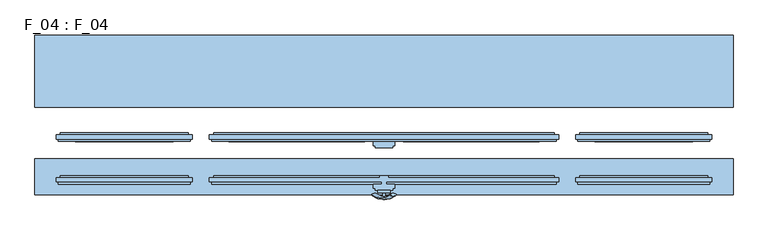
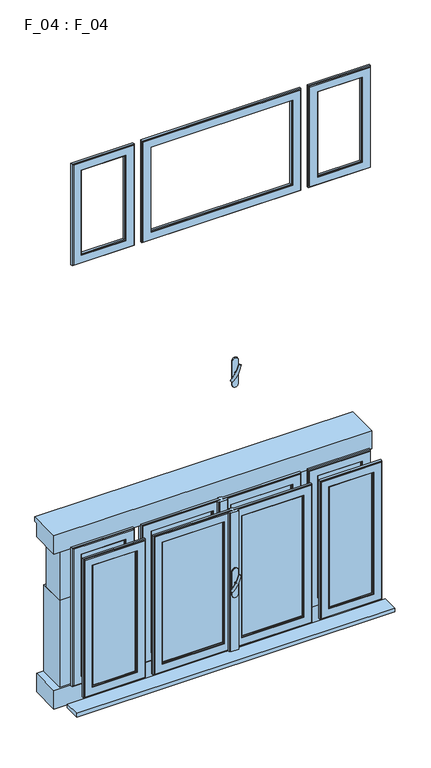
"""IFC4 building model written with IfcOpenShell, lengths in millimetres: window geometry, F_04 : F_04."""

from ifc_helpers import new_model, si_unit, point, frame, frame_2d, origin, place, context, project, spatial, polyline, circle_curve, ellipse_curve, trimmed, segment, composite_curve, outline, extrude, faceted_brep, source, transform, mapped, element, save
from ifc_brep_helpers import plane_surface, revolved_surface, advanced_brep


def f_04_f_04_f7b62432(model_context):
    return source(origin(), model_context, "Body", "SolidModel", [
        extrude(outline(polyline([(-645.0, 130.0), (-785.0, 130.0), (-785.0, 250.0), (-765.0, 270.0), (-665.0, 270.0), (-645.0, 250.0), (-645.0, 130.0)])), frame((0.0, 0.0, 1415.0), z_axis=(0.0, 0.0, 1.0), x_axis=(1.0, 0.0, 0.0)), (0.0, 0.0, 1.0), 270.0),
        extrude(outline(polyline([(-406.6666667, 130.0), (-546.6666667, 130.0), (-546.6666667, 250.0), (-526.6666667, 270.0), (-426.6666667, 270.0), (-406.6666667, 250.0), (-406.6666667, 130.0)])), frame((0.0, 0.0, 1415.0), z_axis=(0.0, 0.0, 1.0), x_axis=(1.0, 0.0, 0.0)), (0.0, 0.0, 1.0), 270.0),
        extrude(outline(polyline([(-168.3333333, 130.0), (-308.3333333, 130.0), (-308.3333333, 250.0), (-288.3333333, 270.0), (-188.3333333, 270.0), (-168.3333333, 250.0), (-168.3333333, 130.0)])), frame((0.0, 0.0, 1415.0), z_axis=(0.0, 0.0, 1.0), x_axis=(1.0, 0.0, 0.0)), (0.0, 0.0, 1.0), 270.0),
        extrude(outline(polyline([(70.0, 130.0), (-70.0, 130.0), (-70.0, 250.0), (-50.0, 270.0), (50.0, 270.0), (70.0, 250.0), (70.0, 130.0)])), frame((0.0, 0.0, 1415.0), z_axis=(0.0, 0.0, 1.0), x_axis=(1.0, 0.0, 0.0)), (0.0, 0.0, 1.0), 270.0),
        extrude(outline(polyline([(308.3333333, 130.0), (168.3333333, 130.0), (168.3333333, 250.0), (188.3333333, 270.0), (288.3333333, 270.0), (308.3333333, 250.0), (308.3333333, 130.0)])), frame((0.0, 0.0, 1415.0), z_axis=(0.0, 0.0, 1.0), x_axis=(1.0, 0.0, 0.0)), (0.0, 0.0, 1.0), 270.0),
        extrude(outline(polyline([(546.6666667, 130.0), (406.6666667, 130.0), (406.6666667, 250.0), (426.6666667, 270.0), (526.6666667, 270.0), (546.6666667, 250.0), (546.6666667, 130.0)])), frame((0.0, 0.0, 1415.0), z_axis=(0.0, 0.0, 1.0), x_axis=(1.0, 0.0, 0.0)), (0.0, 0.0, 1.0), 270.0),
        extrude(outline(polyline([(785.0, 130.0), (645.0, 130.0), (645.0, 250.0), (665.0, 270.0), (765.0, 270.0), (785.0, 250.0), (785.0, 130.0)])), frame((0.0, 0.0, 1415.0), z_axis=(0.0, 0.0, 1.0), x_axis=(1.0, 0.0, 0.0)), (0.0, 0.0, 1.0), 270.0),
        extrude(outline(polyline([(-645.0, 130.0), (-785.0, 130.0), (-785.0, 270.0), (-645.0, 270.0), (-645.0, 130.0)])), frame((0.0, 0.0, 940.0), z_axis=(0.0, 0.0, 1.0), x_axis=(1.0, 0.0, 0.0)), (0.0, 0.0, 1.0), 475.0),
        extrude(outline(polyline([(-406.6666667, 130.0), (-546.6666667, 130.0), (-546.6666667, 270.0), (-406.6666667, 270.0), (-406.6666667, 130.0)])), frame((0.0, 0.0, 940.0), z_axis=(0.0, 0.0, 1.0), x_axis=(1.0, 0.0, 0.0)), (0.0, 0.0, 1.0), 475.0),
        extrude(outline(polyline([(-168.3333333, 130.0), (-308.3333333, 130.0), (-308.3333333, 270.0), (-168.3333333, 270.0), (-168.3333333, 130.0)])), frame((0.0, 0.0, 940.0), z_axis=(0.0, 0.0, 1.0), x_axis=(1.0, 0.0, 0.0)), (0.0, 0.0, 1.0), 475.0),
        extrude(outline(polyline([(70.0, 130.0), (-70.0, 130.0), (-70.0, 270.0), (70.0, 270.0), (70.0, 130.0)])), frame((0.0, 0.0, 940.0), z_axis=(0.0, 0.0, 1.0), x_axis=(1.0, 0.0, 0.0)), (0.0, 0.0, 1.0), 475.0),
        extrude(outline(polyline([(308.3333333, 130.0), (168.3333333, 130.0), (168.3333333, 270.0), (308.3333333, 270.0), (308.3333333, 130.0)])), frame((0.0, 0.0, 940.0), z_axis=(0.0, 0.0, 1.0), x_axis=(1.0, 0.0, 0.0)), (0.0, 0.0, 1.0), 475.0),
        extrude(outline(polyline([(546.6666667, 130.0), (406.6666667, 130.0), (406.6666667, 270.0), (546.6666667, 270.0), (546.6666667, 130.0)])), frame((0.0, 0.0, 940.0), z_axis=(0.0, 0.0, 1.0), x_axis=(1.0, 0.0, 0.0)), (0.0, 0.0, 1.0), 475.0),
        extrude(outline(polyline([(785.0, 130.0), (645.0, 130.0), (645.0, 270.0), (785.0, 270.0), (785.0, 130.0)])), frame((0.0, 0.0, 940.0), z_axis=(0.0, 0.0, 1.0), x_axis=(1.0, 0.0, 0.0)), (0.0, 0.0, 1.0), 475.0),
        extrude(outline(polyline([(120.0, 1785.0), (290.0, 1785.0), (290.0, 1760.0), (275.0, 1760.0), (275.0, 1685.0), (120.0, 1685.0), (120.0, 1785.0)])), frame((-820.0, 0.0, 0.0), z_axis=(1.0, 0.0, 0.0), x_axis=(0.0, 1.0, 0.0)), (0.0, 0.0, 1.0), 1640.0),
        extrude(outline(polyline([(820.0, 120.0), (-820.0, 120.0), (-820.0, 275.0), (820.0, 275.0), (820.0, 120.0)])), frame((0.0, 0.0, 840.0), z_axis=(0.0, 0.0, 1.0), x_axis=(1.0, 0.0, 0.0)), (0.0, 0.0, 1.0), 100.0),
        advanced_brep(
        [(-28.5497704, -85.2287724, 2478.0503474), (-14.693364, -85.2287724, 2470.0503474), (14.693364, -85.2287724, 2552.9496533), (28.5497704, -85.2287724, 2544.9496533)],
        [
            (0, 1, ellipse_curve(frame((-21.6215672, -85.2287724, 2474.0503474), z_axis=(-0.46984631039295827, 0.3420201433256777, -0.8137976813493676), x_axis=(0.8660254037844349, 0.0, -0.5000000000000066)), 8.0, 3.5)),
            (1, 0, ellipse_curve(frame((-21.6215672, -85.2287724, 2474.0503474), z_axis=(-0.46984631039295827, 0.3420201433256777, -0.8137976813493676), x_axis=(0.8660254037844349, 0.0, -0.5000000000000066)), 8.0, 3.5)),
            (2, 3, ellipse_curve(frame((21.6215672, -85.2287724, 2548.9496533), z_axis=(0.46984631039296154, 0.3420201433256599, 0.8137976813493732), x_axis=(0.8660254037844355, 0.0, -0.5000000000000056)), 8.0, 3.5)),
            (3, 2, ellipse_curve(frame((21.6215672, -85.2287724, 2548.9496533), z_axis=(0.46984631039296154, 0.3420201433256599, 0.8137976813493732), x_axis=(0.8660254037844355, 0.0, -0.5000000000000056)), 8.0, 3.5)),
            (3, 1, circle_curve(frame((6.9282032, 33.580763, 2507.5000003), z_axis=(0.8660254037844353, 0.0, -0.500000000000006), x_axis=(-0.1710100716628409, -0.9396926207859051, -0.29619813272603046)), 126.4344667)),
            (0, 2, circle_curve(frame((-6.9282032, 33.580763, 2515.5000003), z_axis=(-0.8660254037844353, 0.0, 0.500000000000006), x_axis=(-0.1710100716628409, -0.9396926207859051, -0.29619813272603046)), 126.4344667)),
        ],
        [
            plane_surface(frame((40.0926994, -82.5471681, 2439.5466146), z_axis=(-0.4698463103929582, 0.34202014332567776, -0.8137976813493677), x_axis=(-0.8660254037844352, 0.0, 0.500000000000006))),
            plane_surface(frame((82.3598097, -82.5471681, 2512.755397), z_axis=(0.4698463103929615, 0.34202014332565983, 0.8137976813493734), x_axis=(-0.8660254037844352, 0.0, 0.500000000000006))),
            revolved_surface(trimmed(ellipse_curve(frame((-21.6215672, -85.2287724, 2474.0503474), z_axis=(-0.46984631039295827, 0.3420201433256777, -0.8137976813493676), x_axis=(0.8660254037844349, 0.0, -0.5000000000000066)), 8.0, 3.5), [point((-28.5497704, -85.2287724, 2478.0503474))], [point((-14.693364, -85.2287724, 2470.0503474))], True, "CARTESIAN"), (61.2262546, 33.580763, 2476.1510058), (-0.8660254037844353, 0.0, 0.500000000000006)),
            revolved_surface(trimmed(ellipse_curve(frame((-21.6215672, -85.2287724, 2474.0503474), z_axis=(-0.46984631039295827, 0.3420201433256777, -0.8137976813493676), x_axis=(0.8660254037844349, 0.0, -0.5000000000000066)), 8.0, 3.5), [point((-14.693364, -85.2287724, 2470.0503474))], [point((-28.5497704, -85.2287724, 2478.0503474))], True, "CARTESIAN"), (61.2262546, 33.580763, 2476.1510058), (-0.8660254037844353, 0.0, 0.500000000000006)),
        ],
        [
            (0, [[1, 2]]),
            (1, [[3, 4]]),
            (2, [[5, -1, 6, -4]]),
            (3, [[-6, -2, -5, -3]]),
        ],
    ),
        extrude(outline(composite_curve([segment(trimmed(circle_curve(frame_2d((2511.5000003, 0.0)), 3.5), [point((2511.5000003, -3.5))], [point((2511.5000003, 3.5))], False, "CARTESIAN"), True, "CONTINUOUS"), segment(trimmed(circle_curve(frame_2d((2511.5000003, 0.0)), 3.5), [point((2511.5000003, 3.5))], [point((2511.5000003, -3.5))], False, "CARTESIAN"), True, "CONTINUOUS")], self_intersect=False)), frame((0.0, -90.0, 0.0), z_axis=(0.0, 1.0, 0.0), x_axis=(0.0, 0.0, 1.0)), (0.0, 0.0, 1.0), 10.0),
        extrude(outline(composite_curve([segment(polyline([(2575.8020112, -15.0), (2445.8020112, -15.0)]), True, "CONTINUOUS"), segment(trimmed(circle_curve(frame_2d((2445.8020112, 0.0)), 15.0), [point((2445.8020112, -15.0))], [point((2445.8020112, 15.0))], False, "CARTESIAN"), True, "CONTINUOUS"), segment(polyline([(2445.8020112, 15.0), (2575.8020112, 15.0)]), True, "CONTINUOUS"), segment(trimmed(circle_curve(frame_2d((2575.8020112, 0.0)), 15.0), [point((2575.8020112, 15.0))], [point((2575.8020112, -15.0))], False, "CARTESIAN"), True, "CONTINUOUS")], self_intersect=False)), frame((0.0, -80.0, 0.0), z_axis=(0.0, 1.0, 0.0), x_axis=(0.0, 0.0, 1.0)), (0.0, 0.0, 1.0), 5.0),
        advanced_brep(
        [(-28.5497704, -85.2287724, 1330.5503474), (-14.693364, -85.2287724, 1322.5503474), (14.693364, -85.2287724, 1405.4496533), (28.5497704, -85.2287724, 1397.4496533)],
        [
            (0, 1, ellipse_curve(frame((-21.6215672, -85.2287724, 1326.5503474), z_axis=(-0.46984631039295827, 0.3420201433256777, -0.8137976813493676), x_axis=(0.8660254037844349, 0.0, -0.5000000000000066)), 8.0, 3.5)),
            (1, 0, ellipse_curve(frame((-21.6215672, -85.2287724, 1326.5503474), z_axis=(-0.46984631039295827, 0.3420201433256777, -0.8137976813493676), x_axis=(0.8660254037844349, 0.0, -0.5000000000000066)), 8.0, 3.5)),
            (2, 3, ellipse_curve(frame((21.6215672, -85.2287724, 1401.4496533), z_axis=(0.46984631039296154, 0.3420201433256599, 0.8137976813493732), x_axis=(0.8660254037844355, 0.0, -0.5000000000000056)), 8.0, 3.5)),
            (3, 2, ellipse_curve(frame((21.6215672, -85.2287724, 1401.4496533), z_axis=(0.46984631039296154, 0.3420201433256599, 0.8137976813493732), x_axis=(0.8660254037844355, 0.0, -0.5000000000000056)), 8.0, 3.5)),
            (3, 1, circle_curve(frame((6.9282032, 33.580763, 1360.0000003), z_axis=(0.8660254037844353, 0.0, -0.500000000000006), x_axis=(-0.1710100716628409, -0.9396926207859051, -0.29619813272603046)), 126.4344667)),
            (0, 2, circle_curve(frame((-6.9282032, 33.580763, 1368.0000003), z_axis=(-0.8660254037844353, 0.0, 0.500000000000006), x_axis=(-0.1710100716628409, -0.9396926207859051, -0.29619813272603046)), 126.4344667)),
        ],
        [
            plane_surface(frame((40.0926994, -82.5471681, 1292.0466146), z_axis=(-0.4698463103929582, 0.34202014332567776, -0.8137976813493677), x_axis=(-0.8660254037844352, 0.0, 0.500000000000006))),
            plane_surface(frame((82.3598097, -82.5471681, 1365.255397), z_axis=(0.4698463103929615, 0.34202014332565983, 0.8137976813493734), x_axis=(-0.8660254037844352, 0.0, 0.500000000000006))),
            revolved_surface(trimmed(ellipse_curve(frame((-21.6215672, -85.2287724, 1326.5503474), z_axis=(-0.46984631039295827, 0.3420201433256777, -0.8137976813493676), x_axis=(0.8660254037844349, 0.0, -0.5000000000000066)), 8.0, 3.5), [point((-28.5497704, -85.2287724, 1330.5503474))], [point((-14.693364, -85.2287724, 1322.5503474))], True, "CARTESIAN"), (61.2262546, 33.580763, 1328.6510058), (-0.8660254037844353, 0.0, 0.500000000000006)),
            revolved_surface(trimmed(ellipse_curve(frame((-21.6215672, -85.2287724, 1326.5503474), z_axis=(-0.46984631039295827, 0.3420201433256777, -0.8137976813493676), x_axis=(0.8660254037844349, 0.0, -0.5000000000000066)), 8.0, 3.5), [point((-14.693364, -85.2287724, 1322.5503474))], [point((-28.5497704, -85.2287724, 1330.5503474))], True, "CARTESIAN"), (61.2262546, 33.580763, 1328.6510058), (-0.8660254037844353, 0.0, 0.500000000000006)),
        ],
        [
            (0, [[1, 2]]),
            (1, [[3, 4]]),
            (2, [[5, -1, 6, -4]]),
            (3, [[-6, -2, -5, -3]]),
        ],
    ),
        extrude(outline(composite_curve([segment(trimmed(circle_curve(frame_2d((1364.0000003, 0.0)), 3.5), [point((1364.0000003, -3.5))], [point((1364.0000003, 3.5))], False, "CARTESIAN"), True, "CONTINUOUS"), segment(trimmed(circle_curve(frame_2d((1364.0000003, 0.0)), 3.5), [point((1364.0000003, 3.5))], [point((1364.0000003, -3.5))], False, "CARTESIAN"), True, "CONTINUOUS")], self_intersect=False)), frame((0.0, -90.0, 0.0), z_axis=(0.0, 1.0, 0.0), x_axis=(0.0, 0.0, 1.0)), (0.0, 0.0, 1.0), 10.0),
        extrude(outline(composite_curve([segment(polyline([(1428.3020112, -15.0), (1298.3020112, -15.0)]), True, "CONTINUOUS"), segment(trimmed(circle_curve(frame_2d((1298.3020112, 0.0)), 15.0), [point((1298.3020112, -15.0))], [point((1298.3020112, 15.0))], False, "CARTESIAN"), True, "CONTINUOUS"), segment(polyline([(1298.3020112, 15.0), (1428.3020112, 15.0)]), True, "CONTINUOUS"), segment(trimmed(circle_curve(frame_2d((1428.3020112, 0.0)), 15.0), [point((1428.3020112, 15.0))], [point((1428.3020112, -15.0))], False, "CARTESIAN"), True, "CONTINUOUS")], self_intersect=False)), frame((0.0, -80.0, 0.0), z_axis=(0.0, 1.0, 0.0), x_axis=(0.0, 0.0, 1.0)), (0.0, 0.0, 1.0), 5.0),
        faceted_brep([(45.0, 55.0, 1035.0000003), (45.0, 60.0, 1035.0000003), (45.0, 60.0, 1700.0000003), (45.0, 55.0, 1700.0000003), (50.0, 45.0, 1040.0000003), (50.0, 55.0, 1040.0000003), (50.0, 55.0, 1695.0000003), (50.0, 45.0, 1695.0000003), (45.0, 40.0, 1035.0000003), (45.0, 45.0, 1035.0000003), (45.0, 45.0, 1700.0000003), (45.0, 40.0, 1700.0000003), (10.0, 55.0, 1735.0000003), (400.0, 55.0, 1735.0000003), (400.0, 60.0, 1735.0000003), (10.0, 60.0, 1735.0000003), (365.0, 60.0, 1700.0000003), (365.0, 55.0, 1700.0000003), (360.0, 55.0, 1695.0000003), (360.0, 45.0, 1695.0000003), (365.0, 45.0, 1700.0000003), (365.0, 40.0, 1700.0000003), (405.0, 40.0, 1740.0000003), (405.0, 45.0, 1740.0000003), (5.0, 45.0, 1740.0000003), (4.9999997, 40.0, 1740.0000003), (25.0, 40.0, 1740.0000003), (410.0, 45.0, 1745.0000003), (410.0, 55.0, 1745.0000003), (9.9999997, 55.0, 1745.0000003), (9.9999997, 60.0, 1745.0000003), (0.5, 60.0, 1745.0000003), (0.5, 55.0, 1745.0000003), (-0.5, 55.0, 1745.0000003), (-0.5, 60.0, 1745.0000003), (-9.9999997, 60.0, 1745.0000003), (-9.9999997, 55.0, 1745.0000003), (-409.9999998, 55.0, 1745.0000003), (-409.9999998, 45.0, 1745.0000003), (-4.9999997, 45.0, 1745.0000003), (-4.9999997, 40.0, 1745.0000003), (-25.0, 40.0, 1745.0000003), (-25.0, 30.0, 1745.0000003), (-20.0, 30.0, 1745.0000003), (-20.0, 25.0, 1745.0000003), (20.0, 25.0, 1745.0000003), (20.0, 30.0, 1745.0000003), (25.0, 30.0, 1745.0000003), (25.0, 40.0, 1745.0000003), (4.9999997, 40.0, 1745.0000003), (4.9999997, 45.0, 1745.0000003), (400.0, 55.0, 1000.0000003), (400.0, 60.0, 1000.0000003), (365.0, 60.0, 1035.0000003), (365.0, 55.0, 1035.0000003), (360.0, 55.0, 1040.0000003), (360.0, 45.0, 1040.0000003), (365.0, 45.0, 1035.0000003), (365.0, 40.0, 1035.0000003), (405.0, 40.0, 995.0000003), (405.0, 45.0, 995.0000003), (410.0, 45.0, 990.0000003), (410.0, 55.0, 990.0000003), (9.9999997, 55.0, 990.0000003), (9.9999997, 55.0, 1000.0000003), (0.5, 55.0, 990.0000003), (-0.5, 55.0, 990.0000003), (-10.0000003, 55.0, 1734.9999997), (-399.9999997, 55.0, 1734.9999997), (-399.9999997, 55.0, 1000.0000003), (-10.0000003, 55.0, 1000.0000003), (-9.9999997, 55.0, 990.0000003), (-409.9999998, 55.0, 990.0000002), (9.9999997, 60.0, 1000.0000003), (9.9999997, 60.0, 990.0000003), (0.5, 60.0, 990.0000003), (25.0, 40.0, 995.0000003), (5.0, 40.0, 995.0000003), (4.9999997, 45.0, 995.0000003), (4.9999997, 45.0, 990.0000003), (4.9999997, 40.0, 990.0000003), (25.0, 40.0, 990.0000003), (25.0, 30.0, 990.0000003), (20.0, 30.0, 990.0000003), (20.0, 25.0, 990.0000003), (-20.0, 25.0, 990.0000003), (-20.0, 30.0, 990.0000003), (-25.0, 30.0, 990.0000003), (-25.0, 40.0, 990.0000003), (-4.9999997, 40.0, 990.0000003), (-4.9999997, 45.0, 990.0000003), (-409.9999998, 45.0, 990.0000003), (-9.9999997, 60.0, 990.0000003), (-0.5, 60.0, 990.0000003), (-9.9999997, 60.0, 1000.0000003), (-399.9999997, 60.0, 1000.0000003), (-399.9999997, 60.0, 1734.9999997), (-10.0000003, 60.0, 1734.9999997), (-45.0000003, 60.0, 1035.0000003), (-45.0000003, 60.0, 1699.9999997), (-364.9999997, 60.0, 1699.9999997), (-364.9999997, 60.0, 1035.0000003), (-4.9999997, 45.0, 1739.9999997), (-4.9999997, 40.0, 1739.9999997), (-4.9999997, 40.0, 995.0000003), (-4.9999997, 45.0, 995.0000003), (-25.0, 40.0, 1739.9999997), (-25.0, 40.0, 995.0000003), (-45.0000003, 55.0, 1035.0000003), (-45.0000003, 55.0, 1699.9999997), (-50.0000003, 55.0, 1040.0000003), (-50.0000003, 45.0, 1040.0000003), (-50.0000003, 45.0, 1694.9999997), (-50.0000003, 55.0, 1694.9999997), (-45.0000003, 45.0, 1035.0000003), (-45.0000003, 40.0, 1035.0000003), (-45.0000003, 40.0, 1699.9999997), (-45.0000003, 45.0, 1699.9999997), (-364.9999997, 55.0, 1699.9999997), (-359.9999997, 45.0, 1694.9999997), (-359.9999997, 55.0, 1694.9999997), (-364.9999997, 40.0, 1699.9999997), (-364.9999997, 45.0, 1699.9999997), (-404.9999997, 45.0, 1739.9999997), (-404.9999997, 40.0, 1739.9999997), (-364.9999997, 55.0, 1035.0000003), (-359.9999997, 45.0, 1040.0000003), (-359.9999997, 55.0, 1040.0000003), (-364.9999997, 40.0, 1035.0000003), (-364.9999997, 45.0, 1035.0000003), (-404.9999997, 45.0, 995.0000003), (-404.9999997, 40.0, 995.0000003)], [[[0, 1, 2, 3]], [[4, 5, 6, 7]], [[8, 9, 10, 11]], [[12, 13, 14, 15]], [[3, 2, 16, 17]], [[7, 6, 18, 19]], [[11, 10, 20, 21]], [[22, 23, 24, 25, 26]], [[27, 28, 29, 30, 31, 32, 33, 34, 35, 36, 37, 38, 39, 40, 41, 42, 43, 44, 45, 46, 47, 48, 49, 50]], [[14, 13, 51, 52]], [[17, 16, 53, 54]], [[19, 18, 55, 56]], [[21, 20, 57, 58]], [[23, 22, 59, 60]], [[28, 27, 61, 62]], [[13, 12, 29, 28, 62, 63, 64, 51]], [[33, 32, 65, 66]], [[67, 68, 69, 70, 71, 72, 37, 36]], [[52, 51, 64, 73]], [[15, 14, 52, 73, 74, 75, 31, 30], [2, 1, 53, 16]], [[1, 0, 54, 53]], [[0, 3, 17, 54], [6, 5, 55, 18]], [[5, 4, 56, 55]], [[10, 9, 57, 20], [4, 7, 19, 56]], [[9, 8, 58, 57]], [[59, 22, 26, 76], [8, 11, 21, 58]], [[60, 59, 76, 77, 78]], [[24, 23, 60, 78, 79, 61, 27, 50]], [[62, 61, 79, 80, 81, 82, 83, 84, 85, 86, 87, 88, 89, 90, 91, 72, 71, 92, 93, 66, 65, 75, 74, 63]], [[35, 34, 93, 92, 94, 95, 96, 97], [98, 99, 100, 101]], [[36, 35, 97, 67]], [[92, 71, 70, 94]], [[34, 33, 66, 93]], [[32, 31, 75, 65]], [[30, 29, 12, 15]], [[63, 74, 73, 64]], [[40, 39, 102, 103]], [[90, 89, 104, 105]], [[41, 40, 103, 106]], [[89, 88, 107, 104]], [[42, 41, 106, 107, 88, 87]], [[43, 42, 87, 86]], [[44, 43, 86, 85]], [[45, 44, 85, 84]], [[46, 45, 84, 83]], [[47, 46, 83, 82]], [[48, 47, 82, 81, 76, 26]], [[49, 48, 26, 25]], [[81, 80, 77, 76]], [[50, 49, 25, 24]], [[80, 79, 78, 77]], [[98, 108, 109, 99]], [[110, 111, 112, 113]], [[114, 115, 116, 117]], [[97, 96, 68, 67]], [[99, 109, 118, 100]], [[113, 112, 119, 120]], [[117, 116, 121, 122]], [[102, 123, 124, 106, 103]], [[68, 96, 95, 69]], [[100, 118, 125, 101]], [[120, 119, 126, 127]], [[122, 121, 128, 129]], [[124, 123, 130, 131]], [[38, 37, 72, 91]], [[69, 95, 94, 70]], [[108, 98, 101, 125]], [[109, 108, 125, 118], [110, 113, 120, 127]], [[111, 110, 127, 126]], [[114, 117, 122, 129], [112, 111, 126, 119]], [[115, 114, 129, 128]], [[124, 131, 107, 106], [116, 115, 128, 121]], [[131, 130, 105, 104, 107]], [[123, 102, 39, 38, 91, 90, 105, 130]]]),
        extrude(outline(polyline([(-499.9999997, 48.0), (-720.0, 48.0), (-720.0, 52.0), (-499.9999997, 52.0), (-499.9999997, 48.0)])), frame((0.0, 0.0, 1040.0), z_axis=(0.0, 0.0, 1.0), x_axis=(1.0, 0.0, 0.0)), (0.0, 0.0, 1.0), 655.0000007),
        extrude(outline(polyline([(-50.0000003, 48.0), (-359.9999997, 48.0), (-359.9999997, 52.0), (-50.0000003, 52.0), (-50.0000003, 48.0)])), frame((0.0, 0.0, 1040.0000003), z_axis=(0.0, 0.0, 1.0), x_axis=(1.0, 0.0, 0.0)), (0.0, 0.0, 1.0), 654.9999993),
        extrude(outline(polyline([(360.0, 48.0), (50.0, 48.0), (50.0, 52.0), (360.0, 52.0), (360.0, 48.0)])), frame((0.0, 0.0, 1040.0000003), z_axis=(0.0, 0.0, 1.0), x_axis=(1.0, 0.0, 0.0)), (0.0, 0.0, 1.0), 655.0),
        extrude(outline(polyline([(720.0, 48.0), (499.9999997, 48.0), (499.9999997, 52.0), (720.0, 52.0), (720.0, 48.0)])), frame((0.0, 0.0, 1040.0), z_axis=(0.0, 0.0, 1.0), x_axis=(1.0, 0.0, 0.0)), (0.0, 0.0, 1.0), 655.0000007),
        faceted_brep([(459.9999997, 60.0, 1000.0), (459.9999997, 55.0, 1000.0), (459.9999997, 55.0, 1735.0000007), (459.9999997, 60.0, 1735.0000007), (494.9999997, 55.0, 1035.0), (494.9999997, 60.0, 1035.0), (494.9999997, 60.0, 1700.0000007), (494.9999997, 55.0, 1700.0000007), (499.9999997, 45.0, 1040.0), (499.9999997, 55.0, 1040.0), (499.9999997, 55.0, 1695.0000007), (499.9999997, 45.0, 1695.0000007), (494.9999997, 40.0, 1035.0), (494.9999997, 45.0, 1035.0), (494.9999997, 45.0, 1700.0000007), (494.9999997, 40.0, 1700.0000007), (454.9999997, 45.0, 995.0), (454.9999997, 40.0, 995.0), (454.9999997, 40.0, 1740.0000007), (454.9999997, 45.0, 1740.0000007), (449.9999997, 55.0, 990.0), (449.9999997, 45.0, 990.0), (449.9999997, 45.0, 1745.0000007), (449.9999997, 55.0, 1745.0000007), (760.0, 55.0, 1735.0000007), (760.0, 60.0, 1735.0000007), (725.0, 60.0, 1700.0000007), (725.0, 55.0, 1700.0000007), (720.0, 55.0, 1695.0000007), (720.0, 45.0, 1695.0000007), (725.0, 45.0, 1700.0000007), (725.0, 40.0, 1700.0000007), (765.0, 40.0, 1740.0000007), (765.0, 45.0, 1740.0000007), (770.0, 45.0, 1745.0000007), (770.0, 55.0, 1745.0000007), (760.0, 55.0, 1000.0), (760.0, 60.0, 1000.0), (725.0, 60.0, 1035.0), (725.0, 55.0, 1035.0), (720.0, 55.0, 1040.0), (720.0, 45.0, 1040.0), (725.0, 45.0, 1035.0), (725.0, 40.0, 1035.0), (765.0, 40.0, 995.0), (765.0, 45.0, 995.0), (770.0, 45.0, 990.0), (770.0, 55.0, 990.0)], [[[0, 1, 2, 3]], [[4, 5, 6, 7]], [[8, 9, 10, 11]], [[12, 13, 14, 15]], [[16, 17, 18, 19]], [[20, 21, 22, 23]], [[3, 2, 24, 25]], [[7, 6, 26, 27]], [[11, 10, 28, 29]], [[15, 14, 30, 31]], [[19, 18, 32, 33]], [[23, 22, 34, 35]], [[25, 24, 36, 37]], [[27, 26, 38, 39]], [[29, 28, 40, 41]], [[31, 30, 42, 43]], [[33, 32, 44, 45]], [[35, 34, 46, 47]], [[23, 35, 47, 20], [1, 36, 24, 2]], [[37, 36, 1, 0]], [[3, 25, 37, 0], [5, 38, 26, 6]], [[39, 38, 5, 4]], [[7, 27, 39, 4], [9, 40, 28, 10]], [[41, 40, 9, 8]], [[13, 42, 30, 14], [11, 29, 41, 8]], [[43, 42, 13, 12]], [[17, 44, 32, 18], [15, 31, 43, 12]], [[45, 44, 17, 16]], [[21, 46, 34, 22], [19, 33, 45, 16]], [[47, 46, 21, 20]]]),
        faceted_brep([(-459.9999997, 55.0, 1000.0), (-459.9999997, 60.0, 1000.0), (-459.9999997, 60.0, 1735.0000007), (-459.9999997, 55.0, 1735.0000007), (-494.9999997, 60.0, 1035.0), (-494.9999997, 55.0, 1035.0), (-494.9999997, 55.0, 1700.0000007), (-494.9999997, 60.0, 1700.0000007), (-499.9999997, 55.0, 1040.0), (-499.9999997, 45.0, 1040.0), (-499.9999997, 45.0, 1695.0000007), (-499.9999997, 55.0, 1695.0000007), (-494.9999997, 45.0, 1035.0), (-494.9999997, 40.0, 1035.0), (-494.9999997, 40.0, 1700.0000007), (-494.9999997, 45.0, 1700.0000007), (-454.9999997, 40.0, 995.0), (-454.9999997, 45.0, 995.0), (-454.9999997, 45.0, 1740.0000007), (-454.9999997, 40.0, 1740.0000007), (-449.9999997, 45.0, 990.0), (-449.9999997, 55.0, 990.0), (-449.9999997, 55.0, 1745.0000007), (-449.9999997, 45.0, 1745.0000007), (-760.0, 60.0, 1735.0000007), (-760.0, 55.0, 1735.0000007), (-725.0, 55.0, 1700.0000007), (-725.0, 60.0, 1700.0000007), (-720.0, 45.0, 1695.0000007), (-720.0, 55.0, 1695.0000007), (-725.0, 40.0, 1700.0000007), (-725.0, 45.0, 1700.0000007), (-765.0, 45.0, 1740.0000007), (-765.0, 40.0, 1740.0000007), (-770.0, 55.0, 1745.0000007), (-770.0, 45.0, 1745.0000007), (-760.0, 60.0, 1000.0), (-760.0, 55.0, 1000.0), (-725.0, 55.0, 1035.0), (-725.0, 60.0, 1035.0), (-720.0, 45.0, 1040.0), (-720.0, 55.0, 1040.0), (-725.0, 40.0, 1035.0), (-725.0, 45.0, 1035.0), (-765.0, 45.0, 995.0), (-765.0, 40.0, 995.0), (-770.0, 55.0, 990.0), (-770.0, 45.0, 990.0)], [[[0, 1, 2, 3]], [[4, 5, 6, 7]], [[8, 9, 10, 11]], [[12, 13, 14, 15]], [[16, 17, 18, 19]], [[20, 21, 22, 23]], [[3, 2, 24, 25]], [[7, 6, 26, 27]], [[11, 10, 28, 29]], [[15, 14, 30, 31]], [[19, 18, 32, 33]], [[23, 22, 34, 35]], [[25, 24, 36, 37]], [[27, 26, 38, 39]], [[29, 28, 40, 41]], [[31, 30, 42, 43]], [[33, 32, 44, 45]], [[35, 34, 46, 47]], [[21, 46, 34, 22], [3, 25, 37, 0]], [[37, 36, 1, 0]], [[1, 36, 24, 2], [7, 27, 39, 4]], [[39, 38, 5, 4]], [[5, 38, 26, 6], [11, 29, 41, 8]], [[41, 40, 9, 8]], [[15, 31, 43, 12], [9, 40, 28, 10]], [[43, 42, 13, 12]], [[19, 33, 45, 16], [13, 42, 30, 14]], [[45, 44, 17, 16]], [[23, 35, 47, 20], [17, 44, 32, 18]], [[47, 46, 21, 20]]]),
        faceted_brep([(45.0, -45.0, 1035.0000003), (45.0, -40.0, 1035.0000003), (45.0, -40.0, 1700.0000003), (45.0, -45.0, 1700.0000003), (50.0, -55.0, 1040.0000003), (50.0, -45.0, 1040.0000003), (50.0, -45.0, 1695.0000003), (50.0, -55.0, 1695.0000003), (45.0, -60.0, 1035.0000003), (45.0, -55.0, 1035.0000003), (45.0, -55.0, 1700.0000003), (45.0, -60.0, 1700.0000003), (10.0, -45.0, 1735.0000003), (400.0, -45.0, 1735.0000003), (400.0, -40.0, 1735.0000003), (10.0, -40.0, 1735.0000003), (365.0, -40.0, 1700.0000003), (365.0, -45.0, 1700.0000003), (360.0, -45.0, 1695.0000003), (360.0, -55.0, 1695.0000003), (365.0, -55.0, 1700.0000003), (365.0, -60.0, 1700.0000003), (405.0, -60.0, 1740.0000003), (405.0, -55.0, 1740.0000003), (5.0, -55.0, 1740.0000003), (4.9999997, -60.0, 1740.0000003), (25.0, -60.0, 1740.0000003), (410.0, -55.0, 1745.0000003), (410.0, -45.0, 1745.0000003), (9.9999997, -45.0, 1745.0000003), (9.9999997, -40.0, 1745.0000003), (0.5, -40.0, 1745.0000003), (0.5, -45.0, 1745.0000003), (-0.5, -45.0, 1745.0000003), (-0.5, -40.0, 1745.0000003), (-9.9999997, -40.0, 1745.0000003), (-9.9999997, -45.0, 1745.0000003), (-409.9999998, -45.0, 1745.0000003), (-409.9999998, -55.0, 1745.0000003), (-4.9999997, -55.0, 1745.0000003), (-4.9999997, -60.0, 1745.0000003), (-25.0, -60.0, 1745.0000003), (-25.0, -70.0, 1745.0000003), (-20.0, -70.0, 1745.0000003), (-20.0, -75.0, 1745.0000003), (20.0, -75.0, 1745.0000003), (20.0, -70.0, 1745.0000003), (25.0, -70.0, 1745.0000003), (25.0, -60.0, 1745.0000003), (4.9999997, -60.0, 1745.0000003), (4.9999997, -55.0, 1745.0000003), (400.0, -45.0, 1000.0000003), (400.0, -40.0, 1000.0000003), (365.0, -40.0, 1035.0000003), (365.0, -45.0, 1035.0000003), (360.0, -45.0, 1040.0000003), (360.0, -55.0, 1040.0000003), (365.0, -55.0, 1035.0000003), (365.0, -60.0, 1035.0000003), (405.0, -60.0, 995.0000003), (405.0, -55.0, 995.0000003), (410.0, -55.0, 990.0000003), (410.0, -45.0, 990.0000003), (9.9999997, -45.0, 990.0000003), (9.9999997, -45.0, 1000.0000003), (0.5, -45.0, 990.0000003), (-0.5, -45.0, 990.0000003), (-10.0000003, -45.0, 1734.9999997), (-399.9999997, -45.0, 1734.9999997), (-399.9999997, -45.0, 1000.0000003), (-10.0000003, -45.0, 1000.0000003), (-9.9999997, -45.0, 990.0000003), (-409.9999998, -45.0, 990.0000002), (9.9999997, -40.0, 1000.0000003), (9.9999997, -40.0, 990.0000003), (0.5, -40.0, 990.0000003), (25.0, -60.0, 995.0000003), (5.0, -60.0, 995.0000003), (4.9999997, -55.0, 995.0000003), (4.9999997, -55.0, 990.0000003), (4.9999997, -60.0, 990.0000003), (25.0, -60.0, 990.0000003), (25.0, -70.0, 990.0000003), (20.0, -70.0, 990.0000003), (20.0, -75.0, 990.0000003), (-20.0, -75.0, 990.0000003), (-20.0, -70.0, 990.0000003), (-25.0, -70.0, 990.0000003), (-25.0, -60.0, 990.0000003), (-4.9999997, -60.0, 990.0000003), (-4.9999997, -55.0, 990.0000003), (-409.9999998, -55.0, 990.0000003), (-9.9999997, -40.0, 990.0000003), (-0.5, -40.0, 990.0000003), (-9.9999997, -40.0, 1000.0000003), (-399.9999997, -40.0, 1000.0000003), (-399.9999997, -40.0, 1734.9999997), (-10.0000003, -40.0, 1734.9999997), (-45.0000003, -40.0, 1035.0000003), (-45.0000003, -40.0, 1699.9999997), (-364.9999997, -40.0, 1699.9999997), (-364.9999997, -40.0, 1035.0000003), (-4.9999997, -55.0, 1739.9999997), (-4.9999997, -60.0, 1739.9999997), (-4.9999997, -60.0, 995.0000003), (-4.9999997, -55.0, 995.0000003), (-25.0, -60.0, 1739.9999997), (-25.0, -60.0, 995.0000003), (-45.0000003, -45.0, 1035.0000003), (-45.0000003, -45.0, 1699.9999997), (-50.0000003, -45.0, 1040.0000003), (-50.0000003, -55.0, 1040.0000003), (-50.0000003, -55.0, 1694.9999997), (-50.0000003, -45.0, 1694.9999997), (-45.0000003, -55.0, 1035.0000003), (-45.0000003, -60.0, 1035.0000003), (-45.0000003, -60.0, 1699.9999997), (-45.0000003, -55.0, 1699.9999997), (-364.9999997, -45.0, 1699.9999997), (-359.9999997, -55.0, 1694.9999997), (-359.9999997, -45.0, 1694.9999997), (-364.9999997, -60.0, 1699.9999997), (-364.9999997, -55.0, 1699.9999997), (-404.9999997, -55.0, 1739.9999997), (-404.9999997, -60.0, 1739.9999997), (-364.9999997, -45.0, 1035.0000003), (-359.9999997, -55.0, 1040.0000003), (-359.9999997, -45.0, 1040.0000003), (-364.9999997, -60.0, 1035.0000003), (-364.9999997, -55.0, 1035.0000003), (-404.9999997, -55.0, 995.0000003), (-404.9999997, -60.0, 995.0000003)], [[[0, 1, 2, 3]], [[4, 5, 6, 7]], [[8, 9, 10, 11]], [[12, 13, 14, 15]], [[3, 2, 16, 17]], [[7, 6, 18, 19]], [[11, 10, 20, 21]], [[22, 23, 24, 25, 26]], [[27, 28, 29, 30, 31, 32, 33, 34, 35, 36, 37, 38, 39, 40, 41, 42, 43, 44, 45, 46, 47, 48, 49, 50]], [[14, 13, 51, 52]], [[17, 16, 53, 54]], [[19, 18, 55, 56]], [[21, 20, 57, 58]], [[23, 22, 59, 60]], [[28, 27, 61, 62]], [[13, 12, 29, 28, 62, 63, 64, 51]], [[33, 32, 65, 66]], [[67, 68, 69, 70, 71, 72, 37, 36]], [[52, 51, 64, 73]], [[15, 14, 52, 73, 74, 75, 31, 30], [2, 1, 53, 16]], [[1, 0, 54, 53]], [[0, 3, 17, 54], [6, 5, 55, 18]], [[5, 4, 56, 55]], [[10, 9, 57, 20], [4, 7, 19, 56]], [[9, 8, 58, 57]], [[59, 22, 26, 76], [8, 11, 21, 58]], [[60, 59, 76, 77, 78]], [[24, 23, 60, 78, 79, 61, 27, 50]], [[62, 61, 79, 80, 81, 82, 83, 84, 85, 86, 87, 88, 89, 90, 91, 72, 71, 92, 93, 66, 65, 75, 74, 63]], [[35, 34, 93, 92, 94, 95, 96, 97], [98, 99, 100, 101]], [[36, 35, 97, 67]], [[92, 71, 70, 94]], [[34, 33, 66, 93]], [[32, 31, 75, 65]], [[30, 29, 12, 15]], [[63, 74, 73, 64]], [[40, 39, 102, 103]], [[90, 89, 104, 105]], [[41, 40, 103, 106]], [[89, 88, 107, 104]], [[42, 41, 106, 107, 88, 87]], [[43, 42, 87, 86]], [[44, 43, 86, 85]], [[45, 44, 85, 84]], [[46, 45, 84, 83]], [[47, 46, 83, 82]], [[48, 47, 82, 81, 76, 26]], [[49, 48, 26, 25]], [[81, 80, 77, 76]], [[50, 49, 25, 24]], [[80, 79, 78, 77]], [[98, 108, 109, 99]], [[110, 111, 112, 113]], [[114, 115, 116, 117]], [[97, 96, 68, 67]], [[99, 109, 118, 100]], [[113, 112, 119, 120]], [[117, 116, 121, 122]], [[102, 123, 124, 106, 103]], [[68, 96, 95, 69]], [[100, 118, 125, 101]], [[120, 119, 126, 127]], [[122, 121, 128, 129]], [[124, 123, 130, 131]], [[38, 37, 72, 91]], [[69, 95, 94, 70]], [[108, 98, 101, 125]], [[109, 108, 125, 118], [110, 113, 120, 127]], [[111, 110, 127, 126]], [[114, 117, 122, 129], [112, 111, 126, 119]], [[115, 114, 129, 128]], [[124, 131, 107, 106], [116, 115, 128, 121]], [[131, 130, 105, 104, 107]], [[123, 102, 39, 38, 91, 90, 105, 130]]]),
        extrude(outline(polyline([(-499.9999997, -52.0), (-720.0, -52.0), (-720.0, -48.0), (-499.9999997, -48.0), (-499.9999997, -52.0)])), frame((0.0, 0.0, 1040.0), z_axis=(0.0, 0.0, 1.0), x_axis=(1.0, 0.0, 0.0)), (0.0, 0.0, 1.0), 655.0000007),
        extrude(outline(polyline([(-50.0000003, -52.0), (-359.9999997, -52.0), (-359.9999997, -48.0), (-50.0000003, -48.0), (-50.0000003, -52.0)])), frame((0.0, 0.0, 1040.0000003), z_axis=(0.0, 0.0, 1.0), x_axis=(1.0, 0.0, 0.0)), (0.0, 0.0, 1.0), 654.9999993),
        extrude(outline(polyline([(360.0, -52.0), (50.0, -52.0), (50.0, -48.0), (360.0, -48.0), (360.0, -52.0)])), frame((0.0, 0.0, 1040.0000003), z_axis=(0.0, 0.0, 1.0), x_axis=(1.0, 0.0, 0.0)), (0.0, 0.0, 1.0), 655.0),
        extrude(outline(polyline([(720.0, -52.0), (499.9999997, -52.0), (499.9999997, -48.0), (720.0, -48.0), (720.0, -52.0)])), frame((0.0, 0.0, 1040.0), z_axis=(0.0, 0.0, 1.0), x_axis=(1.0, 0.0, 0.0)), (0.0, 0.0, 1.0), 655.0000007),
        faceted_brep([(459.9999997, -40.0, 1000.0), (459.9999997, -45.0, 1000.0), (459.9999997, -45.0, 1735.0000007), (459.9999997, -40.0, 1735.0000007), (494.9999997, -45.0, 1035.0), (494.9999997, -40.0, 1035.0), (494.9999997, -40.0, 1700.0000007), (494.9999997, -45.0, 1700.0000007), (499.9999997, -55.0, 1040.0), (499.9999997, -45.0, 1040.0), (499.9999997, -45.0, 1695.0000007), (499.9999997, -55.0, 1695.0000007), (494.9999997, -60.0, 1035.0), (494.9999997, -55.0, 1035.0), (494.9999997, -55.0, 1700.0000007), (494.9999997, -60.0, 1700.0000007), (454.9999997, -55.0, 995.0), (454.9999997, -60.0, 995.0), (454.9999997, -60.0, 1740.0000007), (454.9999997, -55.0, 1740.0000007), (449.9999997, -45.0, 990.0), (449.9999997, -55.0, 990.0), (449.9999997, -55.0, 1745.0000007), (449.9999997, -45.0, 1745.0000007), (760.0, -45.0, 1735.0000007), (760.0, -40.0, 1735.0000007), (725.0, -40.0, 1700.0000007), (725.0, -45.0, 1700.0000007), (720.0, -45.0, 1695.0000007), (720.0, -55.0, 1695.0000007), (725.0, -55.0, 1700.0000007), (725.0, -60.0, 1700.0000007), (765.0, -60.0, 1740.0000007), (765.0, -55.0, 1740.0000007), (770.0, -55.0, 1745.0000007), (770.0, -45.0, 1745.0000007), (760.0, -45.0, 1000.0), (760.0, -40.0, 1000.0), (725.0, -40.0, 1035.0), (725.0, -45.0, 1035.0), (720.0, -45.0, 1040.0), (720.0, -55.0, 1040.0), (725.0, -55.0, 1035.0), (725.0, -60.0, 1035.0), (765.0, -60.0, 995.0), (765.0, -55.0, 995.0), (770.0, -55.0, 990.0), (770.0, -45.0, 990.0)], [[[0, 1, 2, 3]], [[4, 5, 6, 7]], [[8, 9, 10, 11]], [[12, 13, 14, 15]], [[16, 17, 18, 19]], [[20, 21, 22, 23]], [[3, 2, 24, 25]], [[7, 6, 26, 27]], [[11, 10, 28, 29]], [[15, 14, 30, 31]], [[19, 18, 32, 33]], [[23, 22, 34, 35]], [[25, 24, 36, 37]], [[27, 26, 38, 39]], [[29, 28, 40, 41]], [[31, 30, 42, 43]], [[33, 32, 44, 45]], [[35, 34, 46, 47]], [[23, 35, 47, 20], [1, 36, 24, 2]], [[37, 36, 1, 0]], [[3, 25, 37, 0], [5, 38, 26, 6]], [[39, 38, 5, 4]], [[7, 27, 39, 4], [9, 40, 28, 10]], [[41, 40, 9, 8]], [[13, 42, 30, 14], [11, 29, 41, 8]], [[43, 42, 13, 12]], [[17, 44, 32, 18], [15, 31, 43, 12]], [[45, 44, 17, 16]], [[21, 46, 34, 22], [19, 33, 45, 16]], [[47, 46, 21, 20]]]),
        faceted_brep([(-459.9999997, -45.0, 1000.0), (-459.9999997, -40.0, 1000.0), (-459.9999997, -40.0, 1735.0000007), (-459.9999997, -45.0, 1735.0000007), (-494.9999997, -40.0, 1035.0), (-494.9999997, -45.0, 1035.0), (-494.9999997, -45.0, 1700.0000007), (-494.9999997, -40.0, 1700.0000007), (-499.9999997, -45.0, 1040.0), (-499.9999997, -55.0, 1040.0), (-499.9999997, -55.0, 1695.0000007), (-499.9999997, -45.0, 1695.0000007), (-494.9999997, -55.0, 1035.0), (-494.9999997, -60.0, 1035.0), (-494.9999997, -60.0, 1700.0000007), (-494.9999997, -55.0, 1700.0000007), (-454.9999997, -60.0, 995.0), (-454.9999997, -55.0, 995.0), (-454.9999997, -55.0, 1740.0000007), (-454.9999997, -60.0, 1740.0000007), (-449.9999997, -55.0, 990.0), (-449.9999997, -45.0, 990.0), (-449.9999997, -45.0, 1745.0000007), (-449.9999997, -55.0, 1745.0000007), (-760.0, -40.0, 1735.0000007), (-760.0, -45.0, 1735.0000007), (-725.0, -45.0, 1700.0000007), (-725.0, -40.0, 1700.0000007), (-720.0, -55.0, 1695.0000007), (-720.0, -45.0, 1695.0000007), (-725.0, -60.0, 1700.0000007), (-725.0, -55.0, 1700.0000007), (-765.0, -55.0, 1740.0000007), (-765.0, -60.0, 1740.0000007), (-770.0, -45.0, 1745.0000007), (-770.0, -55.0, 1745.0000007), (-760.0, -40.0, 1000.0), (-760.0, -45.0, 1000.0), (-725.0, -45.0, 1035.0), (-725.0, -40.0, 1035.0), (-720.0, -55.0, 1040.0), (-720.0, -45.0, 1040.0), (-725.0, -60.0, 1035.0), (-725.0, -55.0, 1035.0), (-765.0, -55.0, 995.0), (-765.0, -60.0, 995.0), (-770.0, -45.0, 990.0), (-770.0, -55.0, 990.0)], [[[0, 1, 2, 3]], [[4, 5, 6, 7]], [[8, 9, 10, 11]], [[12, 13, 14, 15]], [[16, 17, 18, 19]], [[20, 21, 22, 23]], [[3, 2, 24, 25]], [[7, 6, 26, 27]], [[11, 10, 28, 29]], [[15, 14, 30, 31]], [[19, 18, 32, 33]], [[23, 22, 34, 35]], [[25, 24, 36, 37]], [[27, 26, 38, 39]], [[29, 28, 40, 41]], [[31, 30, 42, 43]], [[33, 32, 44, 45]], [[35, 34, 46, 47]], [[21, 46, 34, 22], [3, 25, 37, 0]], [[37, 36, 1, 0]], [[1, 36, 24, 2], [7, 27, 39, 4]], [[39, 38, 5, 4]], [[5, 38, 26, 6], [11, 29, 41, 8]], [[41, 40, 9, 8]], [[15, 31, 43, 12], [9, 40, 28, 10]], [[43, 42, 13, 12]], [[19, 33, 45, 16], [13, 42, 30, 14]], [[45, 44, 17, 16]], [[23, 35, 47, 20], [17, 44, 32, 18]], [[47, 46, 21, 20]]]),
        extrude(outline(polyline([(820.0, -85.0), (-820.0, -85.0), (-820.0, 0.0), (820.0, 0.0), (820.0, -85.0)])), frame((0.0, 0.0, 920.0), z_axis=(0.0, 0.0, 1.0), x_axis=(1.0, 0.0, 0.0)), (0.0, 0.0, 1.0), 20.0),
        faceted_brep([(400.0, 60.0, 3830.0), (400.0, 55.0, 3830.0), (400.0, 55.0, 3295.0000003), (400.0, 60.0, 3295.0000003), (410.0, 55.0, 3285.0000003), (-410.0, 55.0, 3285.0000003), (-410.0, 55.0, 3840.0), (410.0, 55.0, 3840.0), (-400.0, 55.0, 3830.0), (-400.0, 55.0, 3295.0000003), (-400.0, 60.0, 3295.0000003), (-400.0, 60.0, 3830.0), (365.0, 60.0, 3795.0), (-365.0, 60.0, 3795.0), (-365.0, 60.0, 3330.0000003), (365.0, 60.0, 3330.0000003), (365.0, 55.0, 3795.0), (365.0, 55.0, 3330.0000003), (-365.0, 55.0, 3330.0000003), (-365.0, 55.0, 3795.0), (360.0, 55.0, 3790.0), (-360.0, 55.0, 3790.0), (-360.0, 55.0, 3335.0000003), (360.0, 55.0, 3335.0000003), (360.0, 45.0, 3790.0), (360.0, 45.0, 3335.0000003), (-360.0, 45.0, 3335.0000003), (365.0, 45.0, 3795.0), (-365.0, 45.0, 3795.0), (-365.0, 45.0, 3330.0000003), (365.0, 45.0, 3330.0000003), (-360.0, 45.0, 3790.0), (365.0, 40.0, 3795.0), (365.0, 40.0, 3330.0000003), (-365.0, 40.0, 3330.0000003), (405.0, 40.0, 3835.0), (-405.0, 40.0, 3835.0), (-405.0, 40.0, 3290.0000003), (405.0, 40.0, 3290.0000003), (-365.0, 40.0, 3795.0), (405.0, 45.0, 3835.0), (405.0, 45.0, 3290.0000003), (-405.0, 45.0, 3290.0000003), (410.0, 45.0, 3840.0), (-410.0, 45.0, 3840.0), (-410.0, 45.0, 3285.0000003), (410.0, 45.0, 3285.0000003), (-405.0, 45.0, 3835.0)], [[[0, 1, 2, 3]], [[4, 5, 6, 7], [1, 8, 9, 2]], [[3, 2, 9, 10]], [[3, 10, 11, 0], [12, 13, 14, 15]], [[16, 12, 15, 17]], [[17, 15, 14, 18]], [[17, 18, 19, 16], [20, 21, 22, 23]], [[24, 20, 23, 25]], [[25, 23, 22, 26]], [[27, 28, 29, 30], [25, 26, 31, 24]], [[32, 27, 30, 33]], [[33, 30, 29, 34]], [[35, 36, 37, 38], [33, 34, 39, 32]], [[40, 35, 38, 41]], [[41, 38, 37, 42]], [[43, 44, 45, 46], [41, 42, 47, 40]], [[7, 43, 46, 4]], [[4, 46, 45, 5]], [[10, 9, 8, 11]], [[18, 14, 13, 19]], [[26, 22, 21, 31]], [[34, 29, 28, 39]], [[42, 37, 36, 47]], [[5, 45, 44, 6]], [[11, 8, 1, 0]], [[19, 13, 12, 16]], [[31, 21, 20, 24]], [[39, 28, 27, 32]], [[47, 36, 35, 40]], [[6, 44, 43, 7]]]),
        faceted_brep([(460.0, 55.0, 3830.0), (460.0, 60.0, 3830.0), (460.0, 60.0, 3295.0000003), (460.0, 55.0, 3295.0000003), (759.9999997, 60.0, 3830.0), (759.9999997, 60.0, 3295.0000003), (495.0, 60.0, 3330.0000003), (724.9999997, 60.0, 3330.0000003), (724.9999997, 60.0, 3795.0), (495.0, 60.0, 3795.0), (759.9999997, 55.0, 3295.0000003), (450.0, 55.0, 3840.0), (769.9999997, 55.0, 3840.0), (769.9999997, 55.0, 3285.0000003), (450.0, 55.0, 3285.0000003), (759.9999997, 55.0, 3830.0), (495.0, 55.0, 3795.0), (495.0, 55.0, 3330.0000003), (724.9999997, 55.0, 3795.0), (724.9999997, 55.0, 3330.0000003), (500.0, 55.0, 3335.0000003), (719.9999997, 55.0, 3335.0000003), (719.9999997, 55.0, 3790.0), (500.0, 55.0, 3790.0), (500.0, 45.0, 3790.0), (500.0, 45.0, 3335.0000003), (495.0, 45.0, 3330.0000003), (724.9999997, 45.0, 3330.0000003), (724.9999997, 45.0, 3795.0), (495.0, 45.0, 3795.0), (719.9999997, 45.0, 3790.0), (719.9999997, 45.0, 3335.0000003), (495.0, 40.0, 3795.0), (495.0, 40.0, 3330.0000003), (455.0, 40.0, 3290.0000003), (764.9999997, 40.0, 3290.0000003), (764.9999997, 40.0, 3835.0), (455.0, 40.0, 3835.0), (724.9999997, 40.0, 3795.0), (724.9999997, 40.0, 3330.0000003), (455.0, 45.0, 3835.0), (455.0, 45.0, 3290.0000003), (450.0, 45.0, 3285.0000003), (769.9999997, 45.0, 3285.0000003), (769.9999997, 45.0, 3840.0), (450.0, 45.0, 3840.0), (764.9999997, 45.0, 3835.0), (764.9999997, 45.0, 3290.0000003)], [[[0, 1, 2, 3]], [[1, 4, 5, 2], [6, 7, 8, 9]], [[3, 2, 5, 10]], [[11, 12, 13, 14], [3, 10, 15, 0]], [[9, 16, 17, 6]], [[16, 18, 19, 17], [20, 21, 22, 23]], [[6, 17, 19, 7]], [[23, 24, 25, 20]], [[26, 27, 28, 29], [24, 30, 31, 25]], [[20, 25, 31, 21]], [[29, 32, 33, 26]], [[34, 35, 36, 37], [32, 38, 39, 33]], [[26, 33, 39, 27]], [[37, 40, 41, 34]], [[42, 43, 44, 45], [40, 46, 47, 41]], [[34, 41, 47, 35]], [[45, 11, 14, 42]], [[42, 14, 13, 43]], [[10, 5, 4, 15]], [[7, 19, 18, 8]], [[21, 31, 30, 22]], [[27, 39, 38, 28]], [[35, 47, 46, 36]], [[43, 13, 12, 44]], [[15, 4, 1, 0]], [[8, 18, 16, 9]], [[22, 30, 24, 23]], [[28, 38, 32, 29]], [[36, 46, 40, 37]], [[44, 12, 11, 45]]]),
        faceted_brep([(-460.0, 60.0, 3830.0), (-460.0, 55.0, 3830.0), (-460.0, 55.0, 3295.0000003), (-460.0, 60.0, 3295.0000003), (-450.0, 55.0, 3285.0000003), (-769.9999997, 55.0, 3285.0000003), (-769.9999997, 55.0, 3840.0), (-450.0, 55.0, 3840.0), (-759.9999997, 55.0, 3830.0), (-759.9999997, 55.0, 3295.0000003), (-759.9999997, 60.0, 3295.0000003), (-759.9999997, 60.0, 3830.0), (-495.0, 60.0, 3795.0), (-724.9999997, 60.0, 3795.0), (-724.9999997, 60.0, 3330.0000003), (-495.0, 60.0, 3330.0000003), (-495.0, 55.0, 3795.0), (-495.0, 55.0, 3330.0000003), (-724.9999997, 55.0, 3330.0000003), (-724.9999997, 55.0, 3795.0), (-500.0, 55.0, 3790.0), (-719.9999997, 55.0, 3790.0), (-719.9999997, 55.0, 3335.0000003), (-500.0, 55.0, 3335.0000003), (-500.0, 45.0, 3790.0), (-500.0, 45.0, 3335.0000003), (-719.9999997, 45.0, 3335.0000003), (-495.0, 45.0, 3795.0), (-724.9999997, 45.0, 3795.0), (-724.9999997, 45.0, 3330.0000003), (-495.0, 45.0, 3330.0000003), (-719.9999997, 45.0, 3790.0), (-495.0, 40.0, 3795.0), (-495.0, 40.0, 3330.0000003), (-724.9999997, 40.0, 3330.0000003), (-455.0, 40.0, 3835.0), (-764.9999997, 40.0, 3835.0), (-764.9999997, 40.0, 3290.0000003), (-455.0, 40.0, 3290.0000003), (-724.9999997, 40.0, 3795.0), (-455.0, 45.0, 3835.0), (-455.0, 45.0, 3290.0000003), (-764.9999997, 45.0, 3290.0000003), (-450.0, 45.0, 3840.0), (-769.9999997, 45.0, 3840.0), (-769.9999997, 45.0, 3285.0000003), (-450.0, 45.0, 3285.0000003), (-764.9999997, 45.0, 3835.0)], [[[0, 1, 2, 3]], [[4, 5, 6, 7], [1, 8, 9, 2]], [[3, 2, 9, 10]], [[3, 10, 11, 0], [12, 13, 14, 15]], [[16, 12, 15, 17]], [[17, 15, 14, 18]], [[17, 18, 19, 16], [20, 21, 22, 23]], [[24, 20, 23, 25]], [[25, 23, 22, 26]], [[27, 28, 29, 30], [25, 26, 31, 24]], [[32, 27, 30, 33]], [[33, 30, 29, 34]], [[35, 36, 37, 38], [33, 34, 39, 32]], [[40, 35, 38, 41]], [[41, 38, 37, 42]], [[43, 44, 45, 46], [41, 42, 47, 40]], [[7, 43, 46, 4]], [[4, 46, 45, 5]], [[10, 9, 8, 11]], [[18, 14, 13, 19]], [[26, 22, 21, 31]], [[34, 29, 28, 39]], [[42, 37, 36, 47]], [[5, 45, 44, 6]], [[11, 8, 1, 0]], [[19, 13, 12, 16]], [[31, 21, 20, 24]], [[39, 28, 27, 32]], [[47, 36, 35, 40]], [[6, 44, 43, 7]]]),
    ])


if __name__ == "__main__":
    model = new_model("IFC4")
    model_context = context("Model", 3, world=origin())
    ifc_project = project(units=[si_unit("LENGTHUNIT", "METRE", prefix="MILLI")], contexts=[model_context])
    site = spatial("IfcSite", under=ifc_project)
    building = spatial("IfcBuilding", under=site)
    placement = place(None, origin())
    f_04_f_04_shape = f_04_f_04_f7b62432(model_context)
    element("IfcWindow", 1, ObjectType="F_04 : F_04", at=placement, inside=building, context=model_context, shape_type="MappedRepresentation", body=[
        mapped(f_04_f_04_shape, transform((0.0, 0.0, 0.0), x_axis=(1.0, 0.0, 0.0), y_axis=(0.0, 1.0, 0.0), z_axis=(0.0, 0.0, 1.0))),
    ])
    save(model, "model.ifc")
